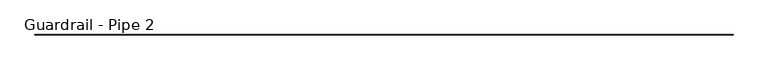
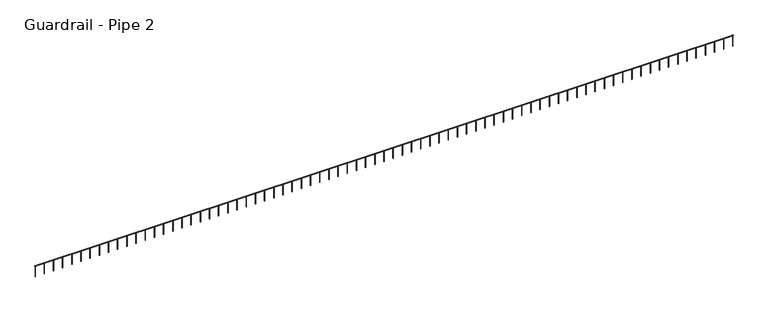
"""IFC4 building model written with IfcOpenShell, lengths in millimetres: railing geometry, Guardrail - Pipe 2."""

from ifc_helpers import new_model, si_unit, point, frame, frame_2d, origin, place, context, project, spatial, circle_curve, trimmed, segment, composite_curve, outline, extrude, source, transform, mapped, element, save


def guardrail_pipe_2_5808143b(model_context):
    return source(origin(), model_context, "Body", "SweptSolid", [
        extrude(outline(composite_curve([segment(trimmed(circle_curve(frame_2d((-523774.2080223, 5010.15)), 19.05), [point((-523793.2580223, 5010.15))], [point((-523755.1580223, 5010.15))], False, "CARTESIAN"), True, "CONTINUOUS"), segment(trimmed(circle_curve(frame_2d((-523774.2080223, 5010.15)), 19.05), [point((-523755.1580223, 5010.15))], [point((-523793.2580223, 5010.15))], False, "CARTESIAN"), True, "CONTINUOUS")], self_intersect=False)), frame((223237.7650869, 0.0, 0.0), z_axis=(1.0, 0.0, 0.0), x_axis=(0.0, 1.0, 0.0)), (0.0, 0.0, 1.0), 46329.6),
        extrude(outline(composite_curve([segment(trimmed(circle_curve(frame_2d((223847.3650869, -523774.2080223)), 12.7), [point((223847.3650869, -523786.9080223))], [point((223847.3650869, -523761.5080223))], False, "CARTESIAN"), True, "CONTINUOUS"), segment(trimmed(circle_curve(frame_2d((223847.3650869, -523774.2080223)), 12.7), [point((223847.3650869, -523761.5080223))], [point((223847.3650869, -523786.9080223))], False, "CARTESIAN"), True, "CONTINUOUS")], self_intersect=False)), frame((0.0, 0.0, 4267.2), z_axis=(0.0, 0.0, 1.0), x_axis=(1.0, 0.0, 0.0)), (0.0, 0.0, 1.0), 723.9),
        extrude(outline(composite_curve([segment(trimmed(circle_curve(frame_2d((224456.9650869, -523774.2080223)), 12.7), [point((224456.9650869, -523786.9080223))], [point((224456.9650869, -523761.5080223))], False, "CARTESIAN"), True, "CONTINUOUS"), segment(trimmed(circle_curve(frame_2d((224456.9650869, -523774.2080223)), 12.7), [point((224456.9650869, -523761.5080223))], [point((224456.9650869, -523786.9080223))], False, "CARTESIAN"), True, "CONTINUOUS")], self_intersect=False)), frame((0.0, 0.0, 4267.2), z_axis=(0.0, 0.0, 1.0), x_axis=(1.0, 0.0, 0.0)), (0.0, 0.0, 1.0), 723.9),
        extrude(outline(composite_curve([segment(trimmed(circle_curve(frame_2d((225066.5650869, -523774.2080223)), 12.7), [point((225066.5650869, -523786.9080223))], [point((225066.5650869, -523761.5080223))], False, "CARTESIAN"), True, "CONTINUOUS"), segment(trimmed(circle_curve(frame_2d((225066.5650869, -523774.2080223)), 12.7), [point((225066.5650869, -523761.5080223))], [point((225066.5650869, -523786.9080223))], False, "CARTESIAN"), True, "CONTINUOUS")], self_intersect=False)), frame((0.0, 0.0, 4267.2), z_axis=(0.0, 0.0, 1.0), x_axis=(1.0, 0.0, 0.0)), (0.0, 0.0, 1.0), 723.9),
        extrude(outline(composite_curve([segment(trimmed(circle_curve(frame_2d((225676.1650869, -523774.2080223)), 12.7), [point((225676.1650869, -523786.9080223))], [point((225676.1650869, -523761.5080223))], False, "CARTESIAN"), True, "CONTINUOUS"), segment(trimmed(circle_curve(frame_2d((225676.1650869, -523774.2080223)), 12.7), [point((225676.1650869, -523761.5080223))], [point((225676.1650869, -523786.9080223))], False, "CARTESIAN"), True, "CONTINUOUS")], self_intersect=False)), frame((0.0, 0.0, 4267.2), z_axis=(0.0, 0.0, 1.0), x_axis=(1.0, 0.0, 0.0)), (0.0, 0.0, 1.0), 723.9),
        extrude(outline(composite_curve([segment(trimmed(circle_curve(frame_2d((226285.7650869, -523774.2080223)), 12.7), [point((226285.7650869, -523786.9080223))], [point((226285.7650869, -523761.5080223))], False, "CARTESIAN"), True, "CONTINUOUS"), segment(trimmed(circle_curve(frame_2d((226285.7650869, -523774.2080223)), 12.7), [point((226285.7650869, -523761.5080223))], [point((226285.7650869, -523786.9080223))], False, "CARTESIAN"), True, "CONTINUOUS")], self_intersect=False)), frame((0.0, 0.0, 4267.2), z_axis=(0.0, 0.0, 1.0), x_axis=(1.0, 0.0, 0.0)), (0.0, 0.0, 1.0), 723.9),
        extrude(outline(composite_curve([segment(trimmed(circle_curve(frame_2d((226895.3650869, -523774.2080223)), 12.7), [point((226895.3650869, -523786.9080223))], [point((226895.3650869, -523761.5080223))], False, "CARTESIAN"), True, "CONTINUOUS"), segment(trimmed(circle_curve(frame_2d((226895.3650869, -523774.2080223)), 12.7), [point((226895.3650869, -523761.5080223))], [point((226895.3650869, -523786.9080223))], False, "CARTESIAN"), True, "CONTINUOUS")], self_intersect=False)), frame((0.0, 0.0, 4267.2), z_axis=(0.0, 0.0, 1.0), x_axis=(1.0, 0.0, 0.0)), (0.0, 0.0, 1.0), 723.9),
        extrude(outline(composite_curve([segment(trimmed(circle_curve(frame_2d((227504.9650869, -523774.2080223)), 12.7), [point((227504.9650869, -523786.9080223))], [point((227504.9650869, -523761.5080223))], False, "CARTESIAN"), True, "CONTINUOUS"), segment(trimmed(circle_curve(frame_2d((227504.9650869, -523774.2080223)), 12.7), [point((227504.9650869, -523761.5080223))], [point((227504.9650869, -523786.9080223))], False, "CARTESIAN"), True, "CONTINUOUS")], self_intersect=False)), frame((0.0, 0.0, 4267.2), z_axis=(0.0, 0.0, 1.0), x_axis=(1.0, 0.0, 0.0)), (0.0, 0.0, 1.0), 723.9),
        extrude(outline(composite_curve([segment(trimmed(circle_curve(frame_2d((228114.5650869, -523774.2080223)), 12.7), [point((228114.5650869, -523786.9080223))], [point((228114.5650869, -523761.5080223))], False, "CARTESIAN"), True, "CONTINUOUS"), segment(trimmed(circle_curve(frame_2d((228114.5650869, -523774.2080223)), 12.7), [point((228114.5650869, -523761.5080223))], [point((228114.5650869, -523786.9080223))], False, "CARTESIAN"), True, "CONTINUOUS")], self_intersect=False)), frame((0.0, 0.0, 4267.2), z_axis=(0.0, 0.0, 1.0), x_axis=(1.0, 0.0, 0.0)), (0.0, 0.0, 1.0), 723.9),
        extrude(outline(composite_curve([segment(trimmed(circle_curve(frame_2d((228724.1650869, -523774.2080223)), 12.7), [point((228724.1650869, -523786.9080223))], [point((228724.1650869, -523761.5080223))], False, "CARTESIAN"), True, "CONTINUOUS"), segment(trimmed(circle_curve(frame_2d((228724.1650869, -523774.2080223)), 12.7), [point((228724.1650869, -523761.5080223))], [point((228724.1650869, -523786.9080223))], False, "CARTESIAN"), True, "CONTINUOUS")], self_intersect=False)), frame((0.0, 0.0, 4267.2), z_axis=(0.0, 0.0, 1.0), x_axis=(1.0, 0.0, 0.0)), (0.0, 0.0, 1.0), 723.9),
        extrude(outline(composite_curve([segment(trimmed(circle_curve(frame_2d((229333.7650869, -523774.2080223)), 12.7), [point((229333.7650869, -523786.9080223))], [point((229333.7650869, -523761.5080223))], False, "CARTESIAN"), True, "CONTINUOUS"), segment(trimmed(circle_curve(frame_2d((229333.7650869, -523774.2080223)), 12.7), [point((229333.7650869, -523761.5080223))], [point((229333.7650869, -523786.9080223))], False, "CARTESIAN"), True, "CONTINUOUS")], self_intersect=False)), frame((0.0, 0.0, 4267.2), z_axis=(0.0, 0.0, 1.0), x_axis=(1.0, 0.0, 0.0)), (0.0, 0.0, 1.0), 723.9),
        extrude(outline(composite_curve([segment(trimmed(circle_curve(frame_2d((229943.3650869, -523774.2080223)), 12.7), [point((229943.3650869, -523786.9080223))], [point((229943.3650869, -523761.5080223))], False, "CARTESIAN"), True, "CONTINUOUS"), segment(trimmed(circle_curve(frame_2d((229943.3650869, -523774.2080223)), 12.7), [point((229943.3650869, -523761.5080223))], [point((229943.3650869, -523786.9080223))], False, "CARTESIAN"), True, "CONTINUOUS")], self_intersect=False)), frame((0.0, 0.0, 4267.2), z_axis=(0.0, 0.0, 1.0), x_axis=(1.0, 0.0, 0.0)), (0.0, 0.0, 1.0), 723.9),
        extrude(outline(composite_curve([segment(trimmed(circle_curve(frame_2d((230552.9650869, -523774.2080223)), 12.7), [point((230552.9650869, -523786.9080223))], [point((230552.9650869, -523761.5080223))], False, "CARTESIAN"), True, "CONTINUOUS"), segment(trimmed(circle_curve(frame_2d((230552.9650869, -523774.2080223)), 12.7), [point((230552.9650869, -523761.5080223))], [point((230552.9650869, -523786.9080223))], False, "CARTESIAN"), True, "CONTINUOUS")], self_intersect=False)), frame((0.0, 0.0, 4267.2), z_axis=(0.0, 0.0, 1.0), x_axis=(1.0, 0.0, 0.0)), (0.0, 0.0, 1.0), 723.9),
        extrude(outline(composite_curve([segment(trimmed(circle_curve(frame_2d((231162.5650869, -523774.2080223)), 12.7), [point((231162.5650869, -523786.9080223))], [point((231162.5650869, -523761.5080223))], False, "CARTESIAN"), True, "CONTINUOUS"), segment(trimmed(circle_curve(frame_2d((231162.5650869, -523774.2080223)), 12.7), [point((231162.5650869, -523761.5080223))], [point((231162.5650869, -523786.9080223))], False, "CARTESIAN"), True, "CONTINUOUS")], self_intersect=False)), frame((0.0, 0.0, 4267.2), z_axis=(0.0, 0.0, 1.0), x_axis=(1.0, 0.0, 0.0)), (0.0, 0.0, 1.0), 723.9),
        extrude(outline(composite_curve([segment(trimmed(circle_curve(frame_2d((231772.1650869, -523774.2080223)), 12.7), [point((231772.1650869, -523786.9080223))], [point((231772.1650869, -523761.5080223))], False, "CARTESIAN"), True, "CONTINUOUS"), segment(trimmed(circle_curve(frame_2d((231772.1650869, -523774.2080223)), 12.7), [point((231772.1650869, -523761.5080223))], [point((231772.1650869, -523786.9080223))], False, "CARTESIAN"), True, "CONTINUOUS")], self_intersect=False)), frame((0.0, 0.0, 4267.2), z_axis=(0.0, 0.0, 1.0), x_axis=(1.0, 0.0, 0.0)), (0.0, 0.0, 1.0), 723.9),
        extrude(outline(composite_curve([segment(trimmed(circle_curve(frame_2d((232381.7650869, -523774.2080223)), 12.7), [point((232381.7650869, -523786.9080223))], [point((232381.7650869, -523761.5080223))], False, "CARTESIAN"), True, "CONTINUOUS"), segment(trimmed(circle_curve(frame_2d((232381.7650869, -523774.2080223)), 12.7), [point((232381.7650869, -523761.5080223))], [point((232381.7650869, -523786.9080223))], False, "CARTESIAN"), True, "CONTINUOUS")], self_intersect=False)), frame((0.0, 0.0, 4267.2), z_axis=(0.0, 0.0, 1.0), x_axis=(1.0, 0.0, 0.0)), (0.0, 0.0, 1.0), 723.9),
        extrude(outline(composite_curve([segment(trimmed(circle_curve(frame_2d((232991.3650869, -523774.2080223)), 12.7), [point((232991.3650869, -523786.9080223))], [point((232991.3650869, -523761.5080223))], False, "CARTESIAN"), True, "CONTINUOUS"), segment(trimmed(circle_curve(frame_2d((232991.3650869, -523774.2080223)), 12.7), [point((232991.3650869, -523761.5080223))], [point((232991.3650869, -523786.9080223))], False, "CARTESIAN"), True, "CONTINUOUS")], self_intersect=False)), frame((0.0, 0.0, 4267.2), z_axis=(0.0, 0.0, 1.0), x_axis=(1.0, 0.0, 0.0)), (0.0, 0.0, 1.0), 723.9),
        extrude(outline(composite_curve([segment(trimmed(circle_curve(frame_2d((233600.9650869, -523774.2080223)), 12.7), [point((233600.9650869, -523786.9080223))], [point((233600.9650869, -523761.5080223))], False, "CARTESIAN"), True, "CONTINUOUS"), segment(trimmed(circle_curve(frame_2d((233600.9650869, -523774.2080223)), 12.7), [point((233600.9650869, -523761.5080223))], [point((233600.9650869, -523786.9080223))], False, "CARTESIAN"), True, "CONTINUOUS")], self_intersect=False)), frame((0.0, 0.0, 4267.2), z_axis=(0.0, 0.0, 1.0), x_axis=(1.0, 0.0, 0.0)), (0.0, 0.0, 1.0), 723.9),
        extrude(outline(composite_curve([segment(trimmed(circle_curve(frame_2d((234210.5650869, -523774.2080223)), 12.7), [point((234210.5650869, -523786.9080223))], [point((234210.5650869, -523761.5080223))], False, "CARTESIAN"), True, "CONTINUOUS"), segment(trimmed(circle_curve(frame_2d((234210.5650869, -523774.2080223)), 12.7), [point((234210.5650869, -523761.5080223))], [point((234210.5650869, -523786.9080223))], False, "CARTESIAN"), True, "CONTINUOUS")], self_intersect=False)), frame((0.0, 0.0, 4267.2), z_axis=(0.0, 0.0, 1.0), x_axis=(1.0, 0.0, 0.0)), (0.0, 0.0, 1.0), 723.9),
        extrude(outline(composite_curve([segment(trimmed(circle_curve(frame_2d((234820.1650869, -523774.2080223)), 12.7), [point((234820.1650869, -523786.9080223))], [point((234820.1650869, -523761.5080223))], False, "CARTESIAN"), True, "CONTINUOUS"), segment(trimmed(circle_curve(frame_2d((234820.1650869, -523774.2080223)), 12.7), [point((234820.1650869, -523761.5080223))], [point((234820.1650869, -523786.9080223))], False, "CARTESIAN"), True, "CONTINUOUS")], self_intersect=False)), frame((0.0, 0.0, 4267.2), z_axis=(0.0, 0.0, 1.0), x_axis=(1.0, 0.0, 0.0)), (0.0, 0.0, 1.0), 723.9),
        extrude(outline(composite_curve([segment(trimmed(circle_curve(frame_2d((235429.7650869, -523774.2080223)), 12.7), [point((235429.7650869, -523786.9080223))], [point((235429.7650869, -523761.5080223))], False, "CARTESIAN"), True, "CONTINUOUS"), segment(trimmed(circle_curve(frame_2d((235429.7650869, -523774.2080223)), 12.7), [point((235429.7650869, -523761.5080223))], [point((235429.7650869, -523786.9080223))], False, "CARTESIAN"), True, "CONTINUOUS")], self_intersect=False)), frame((0.0, 0.0, 4267.2), z_axis=(0.0, 0.0, 1.0), x_axis=(1.0, 0.0, 0.0)), (0.0, 0.0, 1.0), 723.9),
        extrude(outline(composite_curve([segment(trimmed(circle_curve(frame_2d((236039.3650869, -523774.2080223)), 12.7), [point((236039.3650869, -523786.9080223))], [point((236039.3650869, -523761.5080223))], False, "CARTESIAN"), True, "CONTINUOUS"), segment(trimmed(circle_curve(frame_2d((236039.3650869, -523774.2080223)), 12.7), [point((236039.3650869, -523761.5080223))], [point((236039.3650869, -523786.9080223))], False, "CARTESIAN"), True, "CONTINUOUS")], self_intersect=False)), frame((0.0, 0.0, 4267.2), z_axis=(0.0, 0.0, 1.0), x_axis=(1.0, 0.0, 0.0)), (0.0, 0.0, 1.0), 723.9),
        extrude(outline(composite_curve([segment(trimmed(circle_curve(frame_2d((236648.9650869, -523774.2080223)), 12.7), [point((236648.9650869, -523786.9080223))], [point((236648.9650869, -523761.5080223))], False, "CARTESIAN"), True, "CONTINUOUS"), segment(trimmed(circle_curve(frame_2d((236648.9650869, -523774.2080223)), 12.7), [point((236648.9650869, -523761.5080223))], [point((236648.9650869, -523786.9080223))], False, "CARTESIAN"), True, "CONTINUOUS")], self_intersect=False)), frame((0.0, 0.0, 4267.2), z_axis=(0.0, 0.0, 1.0), x_axis=(1.0, 0.0, 0.0)), (0.0, 0.0, 1.0), 723.9),
        extrude(outline(composite_curve([segment(trimmed(circle_curve(frame_2d((237258.5650869, -523774.2080223)), 12.7), [point((237258.5650869, -523786.9080223))], [point((237258.5650869, -523761.5080223))], False, "CARTESIAN"), True, "CONTINUOUS"), segment(trimmed(circle_curve(frame_2d((237258.5650869, -523774.2080223)), 12.7), [point((237258.5650869, -523761.5080223))], [point((237258.5650869, -523786.9080223))], False, "CARTESIAN"), True, "CONTINUOUS")], self_intersect=False)), frame((0.0, 0.0, 4267.2), z_axis=(0.0, 0.0, 1.0), x_axis=(1.0, 0.0, 0.0)), (0.0, 0.0, 1.0), 723.9),
        extrude(outline(composite_curve([segment(trimmed(circle_curve(frame_2d((237868.1650869, -523774.2080223)), 12.7), [point((237868.1650869, -523786.9080223))], [point((237868.1650869, -523761.5080223))], False, "CARTESIAN"), True, "CONTINUOUS"), segment(trimmed(circle_curve(frame_2d((237868.1650869, -523774.2080223)), 12.7), [point((237868.1650869, -523761.5080223))], [point((237868.1650869, -523786.9080223))], False, "CARTESIAN"), True, "CONTINUOUS")], self_intersect=False)), frame((0.0, 0.0, 4267.2), z_axis=(0.0, 0.0, 1.0), x_axis=(1.0, 0.0, 0.0)), (0.0, 0.0, 1.0), 723.9),
        extrude(outline(composite_curve([segment(trimmed(circle_curve(frame_2d((238477.7650869, -523774.2080223)), 12.7), [point((238477.7650869, -523786.9080223))], [point((238477.7650869, -523761.5080223))], False, "CARTESIAN"), True, "CONTINUOUS"), segment(trimmed(circle_curve(frame_2d((238477.7650869, -523774.2080223)), 12.7), [point((238477.7650869, -523761.5080223))], [point((238477.7650869, -523786.9080223))], False, "CARTESIAN"), True, "CONTINUOUS")], self_intersect=False)), frame((0.0, 0.0, 4267.2), z_axis=(0.0, 0.0, 1.0), x_axis=(1.0, 0.0, 0.0)), (0.0, 0.0, 1.0), 723.9),
        extrude(outline(composite_curve([segment(trimmed(circle_curve(frame_2d((239087.3650869, -523774.2080223)), 12.7), [point((239087.3650869, -523786.9080223))], [point((239087.3650869, -523761.5080223))], False, "CARTESIAN"), True, "CONTINUOUS"), segment(trimmed(circle_curve(frame_2d((239087.3650869, -523774.2080223)), 12.7), [point((239087.3650869, -523761.5080223))], [point((239087.3650869, -523786.9080223))], False, "CARTESIAN"), True, "CONTINUOUS")], self_intersect=False)), frame((0.0, 0.0, 4267.2), z_axis=(0.0, 0.0, 1.0), x_axis=(1.0, 0.0, 0.0)), (0.0, 0.0, 1.0), 723.9),
        extrude(outline(composite_curve([segment(trimmed(circle_curve(frame_2d((239696.9650869, -523774.2080223)), 12.7), [point((239696.9650869, -523786.9080223))], [point((239696.9650869, -523761.5080223))], False, "CARTESIAN"), True, "CONTINUOUS"), segment(trimmed(circle_curve(frame_2d((239696.9650869, -523774.2080223)), 12.7), [point((239696.9650869, -523761.5080223))], [point((239696.9650869, -523786.9080223))], False, "CARTESIAN"), True, "CONTINUOUS")], self_intersect=False)), frame((0.0, 0.0, 4267.2), z_axis=(0.0, 0.0, 1.0), x_axis=(1.0, 0.0, 0.0)), (0.0, 0.0, 1.0), 723.9),
        extrude(outline(composite_curve([segment(trimmed(circle_curve(frame_2d((240306.5650869, -523774.2080223)), 12.7), [point((240306.5650869, -523786.9080223))], [point((240306.5650869, -523761.5080223))], False, "CARTESIAN"), True, "CONTINUOUS"), segment(trimmed(circle_curve(frame_2d((240306.5650869, -523774.2080223)), 12.7), [point((240306.5650869, -523761.5080223))], [point((240306.5650869, -523786.9080223))], False, "CARTESIAN"), True, "CONTINUOUS")], self_intersect=False)), frame((0.0, 0.0, 4267.2), z_axis=(0.0, 0.0, 1.0), x_axis=(1.0, 0.0, 0.0)), (0.0, 0.0, 1.0), 723.9),
        extrude(outline(composite_curve([segment(trimmed(circle_curve(frame_2d((240916.1650869, -523774.2080223)), 12.7), [point((240916.1650869, -523786.9080223))], [point((240916.1650869, -523761.5080223))], False, "CARTESIAN"), True, "CONTINUOUS"), segment(trimmed(circle_curve(frame_2d((240916.1650869, -523774.2080223)), 12.7), [point((240916.1650869, -523761.5080223))], [point((240916.1650869, -523786.9080223))], False, "CARTESIAN"), True, "CONTINUOUS")], self_intersect=False)), frame((0.0, 0.0, 4267.2), z_axis=(0.0, 0.0, 1.0), x_axis=(1.0, 0.0, 0.0)), (0.0, 0.0, 1.0), 723.9),
        extrude(outline(composite_curve([segment(trimmed(circle_curve(frame_2d((241525.7650869, -523774.2080223)), 12.7), [point((241525.7650869, -523786.9080223))], [point((241525.7650869, -523761.5080223))], False, "CARTESIAN"), True, "CONTINUOUS"), segment(trimmed(circle_curve(frame_2d((241525.7650869, -523774.2080223)), 12.7), [point((241525.7650869, -523761.5080223))], [point((241525.7650869, -523786.9080223))], False, "CARTESIAN"), True, "CONTINUOUS")], self_intersect=False)), frame((0.0, 0.0, 4267.2), z_axis=(0.0, 0.0, 1.0), x_axis=(1.0, 0.0, 0.0)), (0.0, 0.0, 1.0), 723.9),
        extrude(outline(composite_curve([segment(trimmed(circle_curve(frame_2d((242135.3650869, -523774.2080223)), 12.7), [point((242135.3650869, -523786.9080223))], [point((242135.3650869, -523761.5080223))], False, "CARTESIAN"), True, "CONTINUOUS"), segment(trimmed(circle_curve(frame_2d((242135.3650869, -523774.2080223)), 12.7), [point((242135.3650869, -523761.5080223))], [point((242135.3650869, -523786.9080223))], False, "CARTESIAN"), True, "CONTINUOUS")], self_intersect=False)), frame((0.0, 0.0, 4267.2), z_axis=(0.0, 0.0, 1.0), x_axis=(1.0, 0.0, 0.0)), (0.0, 0.0, 1.0), 723.9),
        extrude(outline(composite_curve([segment(trimmed(circle_curve(frame_2d((242744.9650869, -523774.2080223)), 12.7), [point((242744.9650869, -523786.9080223))], [point((242744.9650869, -523761.5080223))], False, "CARTESIAN"), True, "CONTINUOUS"), segment(trimmed(circle_curve(frame_2d((242744.9650869, -523774.2080223)), 12.7), [point((242744.9650869, -523761.5080223))], [point((242744.9650869, -523786.9080223))], False, "CARTESIAN"), True, "CONTINUOUS")], self_intersect=False)), frame((0.0, 0.0, 4267.2), z_axis=(0.0, 0.0, 1.0), x_axis=(1.0, 0.0, 0.0)), (0.0, 0.0, 1.0), 723.9),
        extrude(outline(composite_curve([segment(trimmed(circle_curve(frame_2d((243354.5650869, -523774.2080223)), 12.7), [point((243354.5650869, -523786.9080223))], [point((243354.5650869, -523761.5080223))], False, "CARTESIAN"), True, "CONTINUOUS"), segment(trimmed(circle_curve(frame_2d((243354.5650869, -523774.2080223)), 12.7), [point((243354.5650869, -523761.5080223))], [point((243354.5650869, -523786.9080223))], False, "CARTESIAN"), True, "CONTINUOUS")], self_intersect=False)), frame((0.0, 0.0, 4267.2), z_axis=(0.0, 0.0, 1.0), x_axis=(1.0, 0.0, 0.0)), (0.0, 0.0, 1.0), 723.9),
        extrude(outline(composite_curve([segment(trimmed(circle_curve(frame_2d((243964.1650869, -523774.2080223)), 12.7), [point((243964.1650869, -523786.9080223))], [point((243964.1650869, -523761.5080223))], False, "CARTESIAN"), True, "CONTINUOUS"), segment(trimmed(circle_curve(frame_2d((243964.1650869, -523774.2080223)), 12.7), [point((243964.1650869, -523761.5080223))], [point((243964.1650869, -523786.9080223))], False, "CARTESIAN"), True, "CONTINUOUS")], self_intersect=False)), frame((0.0, 0.0, 4267.2), z_axis=(0.0, 0.0, 1.0), x_axis=(1.0, 0.0, 0.0)), (0.0, 0.0, 1.0), 723.9),
        extrude(outline(composite_curve([segment(trimmed(circle_curve(frame_2d((244573.7650869, -523774.2080223)), 12.7), [point((244573.7650869, -523786.9080223))], [point((244573.7650869, -523761.5080223))], False, "CARTESIAN"), True, "CONTINUOUS"), segment(trimmed(circle_curve(frame_2d((244573.7650869, -523774.2080223)), 12.7), [point((244573.7650869, -523761.5080223))], [point((244573.7650869, -523786.9080223))], False, "CARTESIAN"), True, "CONTINUOUS")], self_intersect=False)), frame((0.0, 0.0, 4267.2), z_axis=(0.0, 0.0, 1.0), x_axis=(1.0, 0.0, 0.0)), (0.0, 0.0, 1.0), 723.9),
        extrude(outline(composite_curve([segment(trimmed(circle_curve(frame_2d((245183.3650869, -523774.2080223)), 12.7), [point((245183.3650869, -523786.9080223))], [point((245183.3650869, -523761.5080223))], False, "CARTESIAN"), True, "CONTINUOUS"), segment(trimmed(circle_curve(frame_2d((245183.3650869, -523774.2080223)), 12.7), [point((245183.3650869, -523761.5080223))], [point((245183.3650869, -523786.9080223))], False, "CARTESIAN"), True, "CONTINUOUS")], self_intersect=False)), frame((0.0, 0.0, 4267.2), z_axis=(0.0, 0.0, 1.0), x_axis=(1.0, 0.0, 0.0)), (0.0, 0.0, 1.0), 723.9),
        extrude(outline(composite_curve([segment(trimmed(circle_curve(frame_2d((245792.9650869, -523774.2080223)), 12.7), [point((245792.9650869, -523786.9080223))], [point((245792.9650869, -523761.5080223))], False, "CARTESIAN"), True, "CONTINUOUS"), segment(trimmed(circle_curve(frame_2d((245792.9650869, -523774.2080223)), 12.7), [point((245792.9650869, -523761.5080223))], [point((245792.9650869, -523786.9080223))], False, "CARTESIAN"), True, "CONTINUOUS")], self_intersect=False)), frame((0.0, 0.0, 4267.2), z_axis=(0.0, 0.0, 1.0), x_axis=(1.0, 0.0, 0.0)), (0.0, 0.0, 1.0), 723.9),
        extrude(outline(composite_curve([segment(trimmed(circle_curve(frame_2d((246402.5650869, -523774.2080223)), 12.7), [point((246402.5650869, -523786.9080223))], [point((246402.5650869, -523761.5080223))], False, "CARTESIAN"), True, "CONTINUOUS"), segment(trimmed(circle_curve(frame_2d((246402.5650869, -523774.2080223)), 12.7), [point((246402.5650869, -523761.5080223))], [point((246402.5650869, -523786.9080223))], False, "CARTESIAN"), True, "CONTINUOUS")], self_intersect=False)), frame((0.0, 0.0, 4267.2), z_axis=(0.0, 0.0, 1.0), x_axis=(1.0, 0.0, 0.0)), (0.0, 0.0, 1.0), 723.9),
        extrude(outline(composite_curve([segment(trimmed(circle_curve(frame_2d((247012.1650869, -523774.2080223)), 12.7), [point((247012.1650869, -523786.9080223))], [point((247012.1650869, -523761.5080223))], False, "CARTESIAN"), True, "CONTINUOUS"), segment(trimmed(circle_curve(frame_2d((247012.1650869, -523774.2080223)), 12.7), [point((247012.1650869, -523761.5080223))], [point((247012.1650869, -523786.9080223))], False, "CARTESIAN"), True, "CONTINUOUS")], self_intersect=False)), frame((0.0, 0.0, 4267.2), z_axis=(0.0, 0.0, 1.0), x_axis=(1.0, 0.0, 0.0)), (0.0, 0.0, 1.0), 723.9),
        extrude(outline(composite_curve([segment(trimmed(circle_curve(frame_2d((247621.7650869, -523774.2080223)), 12.7), [point((247621.7650869, -523786.9080223))], [point((247621.7650869, -523761.5080223))], False, "CARTESIAN"), True, "CONTINUOUS"), segment(trimmed(circle_curve(frame_2d((247621.7650869, -523774.2080223)), 12.7), [point((247621.7650869, -523761.5080223))], [point((247621.7650869, -523786.9080223))], False, "CARTESIAN"), True, "CONTINUOUS")], self_intersect=False)), frame((0.0, 0.0, 4267.2), z_axis=(0.0, 0.0, 1.0), x_axis=(1.0, 0.0, 0.0)), (0.0, 0.0, 1.0), 723.9),
        extrude(outline(composite_curve([segment(trimmed(circle_curve(frame_2d((248231.3650869, -523774.2080223)), 12.7), [point((248231.3650869, -523786.9080223))], [point((248231.3650869, -523761.5080223))], False, "CARTESIAN"), True, "CONTINUOUS"), segment(trimmed(circle_curve(frame_2d((248231.3650869, -523774.2080223)), 12.7), [point((248231.3650869, -523761.5080223))], [point((248231.3650869, -523786.9080223))], False, "CARTESIAN"), True, "CONTINUOUS")], self_intersect=False)), frame((0.0, 0.0, 4267.2), z_axis=(0.0, 0.0, 1.0), x_axis=(1.0, 0.0, 0.0)), (0.0, 0.0, 1.0), 723.9),
        extrude(outline(composite_curve([segment(trimmed(circle_curve(frame_2d((248840.9650869, -523774.2080223)), 12.7), [point((248840.9650869, -523786.9080223))], [point((248840.9650869, -523761.5080223))], False, "CARTESIAN"), True, "CONTINUOUS"), segment(trimmed(circle_curve(frame_2d((248840.9650869, -523774.2080223)), 12.7), [point((248840.9650869, -523761.5080223))], [point((248840.9650869, -523786.9080223))], False, "CARTESIAN"), True, "CONTINUOUS")], self_intersect=False)), frame((0.0, 0.0, 4267.2), z_axis=(0.0, 0.0, 1.0), x_axis=(1.0, 0.0, 0.0)), (0.0, 0.0, 1.0), 723.9),
        extrude(outline(composite_curve([segment(trimmed(circle_curve(frame_2d((249450.5650869, -523774.2080223)), 12.7), [point((249450.5650869, -523786.9080223))], [point((249450.5650869, -523761.5080223))], False, "CARTESIAN"), True, "CONTINUOUS"), segment(trimmed(circle_curve(frame_2d((249450.5650869, -523774.2080223)), 12.7), [point((249450.5650869, -523761.5080223))], [point((249450.5650869, -523786.9080223))], False, "CARTESIAN"), True, "CONTINUOUS")], self_intersect=False)), frame((0.0, 0.0, 4267.2), z_axis=(0.0, 0.0, 1.0), x_axis=(1.0, 0.0, 0.0)), (0.0, 0.0, 1.0), 723.9),
        extrude(outline(composite_curve([segment(trimmed(circle_curve(frame_2d((250060.1650869, -523774.2080223)), 12.7), [point((250060.1650869, -523786.9080223))], [point((250060.1650869, -523761.5080223))], False, "CARTESIAN"), True, "CONTINUOUS"), segment(trimmed(circle_curve(frame_2d((250060.1650869, -523774.2080223)), 12.7), [point((250060.1650869, -523761.5080223))], [point((250060.1650869, -523786.9080223))], False, "CARTESIAN"), True, "CONTINUOUS")], self_intersect=False)), frame((0.0, 0.0, 4267.2), z_axis=(0.0, 0.0, 1.0), x_axis=(1.0, 0.0, 0.0)), (0.0, 0.0, 1.0), 723.9),
        extrude(outline(composite_curve([segment(trimmed(circle_curve(frame_2d((250669.7650869, -523774.2080223)), 12.7), [point((250669.7650869, -523786.9080223))], [point((250669.7650869, -523761.5080223))], False, "CARTESIAN"), True, "CONTINUOUS"), segment(trimmed(circle_curve(frame_2d((250669.7650869, -523774.2080223)), 12.7), [point((250669.7650869, -523761.5080223))], [point((250669.7650869, -523786.9080223))], False, "CARTESIAN"), True, "CONTINUOUS")], self_intersect=False)), frame((0.0, 0.0, 4267.2), z_axis=(0.0, 0.0, 1.0), x_axis=(1.0, 0.0, 0.0)), (0.0, 0.0, 1.0), 723.9),
        extrude(outline(composite_curve([segment(trimmed(circle_curve(frame_2d((251279.3650869, -523774.2080223)), 12.7), [point((251279.3650869, -523786.9080223))], [point((251279.3650869, -523761.5080223))], False, "CARTESIAN"), True, "CONTINUOUS"), segment(trimmed(circle_curve(frame_2d((251279.3650869, -523774.2080223)), 12.7), [point((251279.3650869, -523761.5080223))], [point((251279.3650869, -523786.9080223))], False, "CARTESIAN"), True, "CONTINUOUS")], self_intersect=False)), frame((0.0, 0.0, 4267.2), z_axis=(0.0, 0.0, 1.0), x_axis=(1.0, 0.0, 0.0)), (0.0, 0.0, 1.0), 723.9),
        extrude(outline(composite_curve([segment(trimmed(circle_curve(frame_2d((251888.9650869, -523774.2080223)), 12.7), [point((251888.9650869, -523786.9080223))], [point((251888.9650869, -523761.5080223))], False, "CARTESIAN"), True, "CONTINUOUS"), segment(trimmed(circle_curve(frame_2d((251888.9650869, -523774.2080223)), 12.7), [point((251888.9650869, -523761.5080223))], [point((251888.9650869, -523786.9080223))], False, "CARTESIAN"), True, "CONTINUOUS")], self_intersect=False)), frame((0.0, 0.0, 4267.2), z_axis=(0.0, 0.0, 1.0), x_axis=(1.0, 0.0, 0.0)), (0.0, 0.0, 1.0), 723.9),
        extrude(outline(composite_curve([segment(trimmed(circle_curve(frame_2d((252498.5650869, -523774.2080223)), 12.7), [point((252498.5650869, -523786.9080223))], [point((252498.5650869, -523761.5080223))], False, "CARTESIAN"), True, "CONTINUOUS"), segment(trimmed(circle_curve(frame_2d((252498.5650869, -523774.2080223)), 12.7), [point((252498.5650869, -523761.5080223))], [point((252498.5650869, -523786.9080223))], False, "CARTESIAN"), True, "CONTINUOUS")], self_intersect=False)), frame((0.0, 0.0, 4267.2), z_axis=(0.0, 0.0, 1.0), x_axis=(1.0, 0.0, 0.0)), (0.0, 0.0, 1.0), 723.9),
        extrude(outline(composite_curve([segment(trimmed(circle_curve(frame_2d((253108.1650869, -523774.2080223)), 12.7), [point((253108.1650869, -523786.9080223))], [point((253108.1650869, -523761.5080223))], False, "CARTESIAN"), True, "CONTINUOUS"), segment(trimmed(circle_curve(frame_2d((253108.1650869, -523774.2080223)), 12.7), [point((253108.1650869, -523761.5080223))], [point((253108.1650869, -523786.9080223))], False, "CARTESIAN"), True, "CONTINUOUS")], self_intersect=False)), frame((0.0, 0.0, 4267.2), z_axis=(0.0, 0.0, 1.0), x_axis=(1.0, 0.0, 0.0)), (0.0, 0.0, 1.0), 723.9),
        extrude(outline(composite_curve([segment(trimmed(circle_curve(frame_2d((253717.7650869, -523774.2080223)), 12.7), [point((253717.7650869, -523786.9080223))], [point((253717.7650869, -523761.5080223))], False, "CARTESIAN"), True, "CONTINUOUS"), segment(trimmed(circle_curve(frame_2d((253717.7650869, -523774.2080223)), 12.7), [point((253717.7650869, -523761.5080223))], [point((253717.7650869, -523786.9080223))], False, "CARTESIAN"), True, "CONTINUOUS")], self_intersect=False)), frame((0.0, 0.0, 4267.2), z_axis=(0.0, 0.0, 1.0), x_axis=(1.0, 0.0, 0.0)), (0.0, 0.0, 1.0), 723.9),
        extrude(outline(composite_curve([segment(trimmed(circle_curve(frame_2d((254327.3650869, -523774.2080223)), 12.7), [point((254327.3650869, -523786.9080223))], [point((254327.3650869, -523761.5080223))], False, "CARTESIAN"), True, "CONTINUOUS"), segment(trimmed(circle_curve(frame_2d((254327.3650869, -523774.2080223)), 12.7), [point((254327.3650869, -523761.5080223))], [point((254327.3650869, -523786.9080223))], False, "CARTESIAN"), True, "CONTINUOUS")], self_intersect=False)), frame((0.0, 0.0, 4267.2), z_axis=(0.0, 0.0, 1.0), x_axis=(1.0, 0.0, 0.0)), (0.0, 0.0, 1.0), 723.9),
        extrude(outline(composite_curve([segment(trimmed(circle_curve(frame_2d((254936.9650869, -523774.2080223)), 12.7), [point((254936.9650869, -523786.9080223))], [point((254936.9650869, -523761.5080223))], False, "CARTESIAN"), True, "CONTINUOUS"), segment(trimmed(circle_curve(frame_2d((254936.9650869, -523774.2080223)), 12.7), [point((254936.9650869, -523761.5080223))], [point((254936.9650869, -523786.9080223))], False, "CARTESIAN"), True, "CONTINUOUS")], self_intersect=False)), frame((0.0, 0.0, 4267.2), z_axis=(0.0, 0.0, 1.0), x_axis=(1.0, 0.0, 0.0)), (0.0, 0.0, 1.0), 723.9),
        extrude(outline(composite_curve([segment(trimmed(circle_curve(frame_2d((255546.5650869, -523774.2080223)), 12.7), [point((255546.5650869, -523786.9080223))], [point((255546.5650869, -523761.5080223))], False, "CARTESIAN"), True, "CONTINUOUS"), segment(trimmed(circle_curve(frame_2d((255546.5650869, -523774.2080223)), 12.7), [point((255546.5650869, -523761.5080223))], [point((255546.5650869, -523786.9080223))], False, "CARTESIAN"), True, "CONTINUOUS")], self_intersect=False)), frame((0.0, 0.0, 4267.2), z_axis=(0.0, 0.0, 1.0), x_axis=(1.0, 0.0, 0.0)), (0.0, 0.0, 1.0), 723.9),
        extrude(outline(composite_curve([segment(trimmed(circle_curve(frame_2d((256156.1650869, -523774.2080223)), 12.7), [point((256156.1650869, -523786.9080223))], [point((256156.1650869, -523761.5080223))], False, "CARTESIAN"), True, "CONTINUOUS"), segment(trimmed(circle_curve(frame_2d((256156.1650869, -523774.2080223)), 12.7), [point((256156.1650869, -523761.5080223))], [point((256156.1650869, -523786.9080223))], False, "CARTESIAN"), True, "CONTINUOUS")], self_intersect=False)), frame((0.0, 0.0, 4267.2), z_axis=(0.0, 0.0, 1.0), x_axis=(1.0, 0.0, 0.0)), (0.0, 0.0, 1.0), 723.9),
        extrude(outline(composite_curve([segment(trimmed(circle_curve(frame_2d((256765.7650869, -523774.2080223)), 12.7), [point((256765.7650869, -523786.9080223))], [point((256765.7650869, -523761.5080223))], False, "CARTESIAN"), True, "CONTINUOUS"), segment(trimmed(circle_curve(frame_2d((256765.7650869, -523774.2080223)), 12.7), [point((256765.7650869, -523761.5080223))], [point((256765.7650869, -523786.9080223))], False, "CARTESIAN"), True, "CONTINUOUS")], self_intersect=False)), frame((0.0, 0.0, 4267.2), z_axis=(0.0, 0.0, 1.0), x_axis=(1.0, 0.0, 0.0)), (0.0, 0.0, 1.0), 723.9),
        extrude(outline(composite_curve([segment(trimmed(circle_curve(frame_2d((257375.3650869, -523774.2080223)), 12.7), [point((257375.3650869, -523786.9080223))], [point((257375.3650869, -523761.5080223))], False, "CARTESIAN"), True, "CONTINUOUS"), segment(trimmed(circle_curve(frame_2d((257375.3650869, -523774.2080223)), 12.7), [point((257375.3650869, -523761.5080223))], [point((257375.3650869, -523786.9080223))], False, "CARTESIAN"), True, "CONTINUOUS")], self_intersect=False)), frame((0.0, 0.0, 4267.2), z_axis=(0.0, 0.0, 1.0), x_axis=(1.0, 0.0, 0.0)), (0.0, 0.0, 1.0), 723.9),
        extrude(outline(composite_curve([segment(trimmed(circle_curve(frame_2d((257984.9650869, -523774.2080223)), 12.7), [point((257984.9650869, -523786.9080223))], [point((257984.9650869, -523761.5080223))], False, "CARTESIAN"), True, "CONTINUOUS"), segment(trimmed(circle_curve(frame_2d((257984.9650869, -523774.2080223)), 12.7), [point((257984.9650869, -523761.5080223))], [point((257984.9650869, -523786.9080223))], False, "CARTESIAN"), True, "CONTINUOUS")], self_intersect=False)), frame((0.0, 0.0, 4267.2), z_axis=(0.0, 0.0, 1.0), x_axis=(1.0, 0.0, 0.0)), (0.0, 0.0, 1.0), 723.9),
        extrude(outline(composite_curve([segment(trimmed(circle_curve(frame_2d((258594.5650869, -523774.2080223)), 12.7), [point((258594.5650869, -523786.9080223))], [point((258594.5650869, -523761.5080223))], False, "CARTESIAN"), True, "CONTINUOUS"), segment(trimmed(circle_curve(frame_2d((258594.5650869, -523774.2080223)), 12.7), [point((258594.5650869, -523761.5080223))], [point((258594.5650869, -523786.9080223))], False, "CARTESIAN"), True, "CONTINUOUS")], self_intersect=False)), frame((0.0, 0.0, 4267.2), z_axis=(0.0, 0.0, 1.0), x_axis=(1.0, 0.0, 0.0)), (0.0, 0.0, 1.0), 723.9),
        extrude(outline(composite_curve([segment(trimmed(circle_curve(frame_2d((259204.1650869, -523774.2080223)), 12.7), [point((259204.1650869, -523786.9080223))], [point((259204.1650869, -523761.5080223))], False, "CARTESIAN"), True, "CONTINUOUS"), segment(trimmed(circle_curve(frame_2d((259204.1650869, -523774.2080223)), 12.7), [point((259204.1650869, -523761.5080223))], [point((259204.1650869, -523786.9080223))], False, "CARTESIAN"), True, "CONTINUOUS")], self_intersect=False)), frame((0.0, 0.0, 4267.2), z_axis=(0.0, 0.0, 1.0), x_axis=(1.0, 0.0, 0.0)), (0.0, 0.0, 1.0), 723.9),
        extrude(outline(composite_curve([segment(trimmed(circle_curve(frame_2d((259813.7650869, -523774.2080223)), 12.7), [point((259813.7650869, -523786.9080223))], [point((259813.7650869, -523761.5080223))], False, "CARTESIAN"), True, "CONTINUOUS"), segment(trimmed(circle_curve(frame_2d((259813.7650869, -523774.2080223)), 12.7), [point((259813.7650869, -523761.5080223))], [point((259813.7650869, -523786.9080223))], False, "CARTESIAN"), True, "CONTINUOUS")], self_intersect=False)), frame((0.0, 0.0, 4267.2), z_axis=(0.0, 0.0, 1.0), x_axis=(1.0, 0.0, 0.0)), (0.0, 0.0, 1.0), 723.9),
        extrude(outline(composite_curve([segment(trimmed(circle_curve(frame_2d((260423.3650869, -523774.2080223)), 12.7), [point((260423.3650869, -523786.9080223))], [point((260423.3650869, -523761.5080223))], False, "CARTESIAN"), True, "CONTINUOUS"), segment(trimmed(circle_curve(frame_2d((260423.3650869, -523774.2080223)), 12.7), [point((260423.3650869, -523761.5080223))], [point((260423.3650869, -523786.9080223))], False, "CARTESIAN"), True, "CONTINUOUS")], self_intersect=False)), frame((0.0, 0.0, 4267.2), z_axis=(0.0, 0.0, 1.0), x_axis=(1.0, 0.0, 0.0)), (0.0, 0.0, 1.0), 723.9),
        extrude(outline(composite_curve([segment(trimmed(circle_curve(frame_2d((261032.9650869, -523774.2080223)), 12.7), [point((261032.9650869, -523786.9080223))], [point((261032.9650869, -523761.5080223))], False, "CARTESIAN"), True, "CONTINUOUS"), segment(trimmed(circle_curve(frame_2d((261032.9650869, -523774.2080223)), 12.7), [point((261032.9650869, -523761.5080223))], [point((261032.9650869, -523786.9080223))], False, "CARTESIAN"), True, "CONTINUOUS")], self_intersect=False)), frame((0.0, 0.0, 4267.2), z_axis=(0.0, 0.0, 1.0), x_axis=(1.0, 0.0, 0.0)), (0.0, 0.0, 1.0), 723.9),
        extrude(outline(composite_curve([segment(trimmed(circle_curve(frame_2d((261642.5650869, -523774.2080223)), 12.7), [point((261642.5650869, -523786.9080223))], [point((261642.5650869, -523761.5080223))], False, "CARTESIAN"), True, "CONTINUOUS"), segment(trimmed(circle_curve(frame_2d((261642.5650869, -523774.2080223)), 12.7), [point((261642.5650869, -523761.5080223))], [point((261642.5650869, -523786.9080223))], False, "CARTESIAN"), True, "CONTINUOUS")], self_intersect=False)), frame((0.0, 0.0, 4267.2), z_axis=(0.0, 0.0, 1.0), x_axis=(1.0, 0.0, 0.0)), (0.0, 0.0, 1.0), 723.9),
        extrude(outline(composite_curve([segment(trimmed(circle_curve(frame_2d((262252.1650869, -523774.2080223)), 12.7), [point((262252.1650869, -523786.9080223))], [point((262252.1650869, -523761.5080223))], False, "CARTESIAN"), True, "CONTINUOUS"), segment(trimmed(circle_curve(frame_2d((262252.1650869, -523774.2080223)), 12.7), [point((262252.1650869, -523761.5080223))], [point((262252.1650869, -523786.9080223))], False, "CARTESIAN"), True, "CONTINUOUS")], self_intersect=False)), frame((0.0, 0.0, 4267.2), z_axis=(0.0, 0.0, 1.0), x_axis=(1.0, 0.0, 0.0)), (0.0, 0.0, 1.0), 723.9),
        extrude(outline(composite_curve([segment(trimmed(circle_curve(frame_2d((262861.7650869, -523774.2080223)), 12.7), [point((262861.7650869, -523786.9080223))], [point((262861.7650869, -523761.5080223))], False, "CARTESIAN"), True, "CONTINUOUS"), segment(trimmed(circle_curve(frame_2d((262861.7650869, -523774.2080223)), 12.7), [point((262861.7650869, -523761.5080223))], [point((262861.7650869, -523786.9080223))], False, "CARTESIAN"), True, "CONTINUOUS")], self_intersect=False)), frame((0.0, 0.0, 4267.2), z_axis=(0.0, 0.0, 1.0), x_axis=(1.0, 0.0, 0.0)), (0.0, 0.0, 1.0), 723.9),
        extrude(outline(composite_curve([segment(trimmed(circle_curve(frame_2d((263471.3650869, -523774.2080223)), 12.7), [point((263471.3650869, -523786.9080223))], [point((263471.3650869, -523761.5080223))], False, "CARTESIAN"), True, "CONTINUOUS"), segment(trimmed(circle_curve(frame_2d((263471.3650869, -523774.2080223)), 12.7), [point((263471.3650869, -523761.5080223))], [point((263471.3650869, -523786.9080223))], False, "CARTESIAN"), True, "CONTINUOUS")], self_intersect=False)), frame((0.0, 0.0, 4267.2), z_axis=(0.0, 0.0, 1.0), x_axis=(1.0, 0.0, 0.0)), (0.0, 0.0, 1.0), 723.9),
        extrude(outline(composite_curve([segment(trimmed(circle_curve(frame_2d((264080.9650869, -523774.2080223)), 12.7), [point((264080.9650869, -523786.9080223))], [point((264080.9650869, -523761.5080223))], False, "CARTESIAN"), True, "CONTINUOUS"), segment(trimmed(circle_curve(frame_2d((264080.9650869, -523774.2080223)), 12.7), [point((264080.9650869, -523761.5080223))], [point((264080.9650869, -523786.9080223))], False, "CARTESIAN"), True, "CONTINUOUS")], self_intersect=False)), frame((0.0, 0.0, 4267.2), z_axis=(0.0, 0.0, 1.0), x_axis=(1.0, 0.0, 0.0)), (0.0, 0.0, 1.0), 723.9),
        extrude(outline(composite_curve([segment(trimmed(circle_curve(frame_2d((264690.5650869, -523774.2080223)), 12.7), [point((264690.5650869, -523786.9080223))], [point((264690.5650869, -523761.5080223))], False, "CARTESIAN"), True, "CONTINUOUS"), segment(trimmed(circle_curve(frame_2d((264690.5650869, -523774.2080223)), 12.7), [point((264690.5650869, -523761.5080223))], [point((264690.5650869, -523786.9080223))], False, "CARTESIAN"), True, "CONTINUOUS")], self_intersect=False)), frame((0.0, 0.0, 4267.2), z_axis=(0.0, 0.0, 1.0), x_axis=(1.0, 0.0, 0.0)), (0.0, 0.0, 1.0), 723.9),
        extrude(outline(composite_curve([segment(trimmed(circle_curve(frame_2d((265300.1650869, -523774.2080223)), 12.7), [point((265300.1650869, -523786.9080223))], [point((265300.1650869, -523761.5080223))], False, "CARTESIAN"), True, "CONTINUOUS"), segment(trimmed(circle_curve(frame_2d((265300.1650869, -523774.2080223)), 12.7), [point((265300.1650869, -523761.5080223))], [point((265300.1650869, -523786.9080223))], False, "CARTESIAN"), True, "CONTINUOUS")], self_intersect=False)), frame((0.0, 0.0, 4267.2), z_axis=(0.0, 0.0, 1.0), x_axis=(1.0, 0.0, 0.0)), (0.0, 0.0, 1.0), 723.9),
        extrude(outline(composite_curve([segment(trimmed(circle_curve(frame_2d((265909.7650869, -523774.2080223)), 12.7), [point((265909.7650869, -523786.9080223))], [point((265909.7650869, -523761.5080223))], False, "CARTESIAN"), True, "CONTINUOUS"), segment(trimmed(circle_curve(frame_2d((265909.7650869, -523774.2080223)), 12.7), [point((265909.7650869, -523761.5080223))], [point((265909.7650869, -523786.9080223))], False, "CARTESIAN"), True, "CONTINUOUS")], self_intersect=False)), frame((0.0, 0.0, 4267.2), z_axis=(0.0, 0.0, 1.0), x_axis=(1.0, 0.0, 0.0)), (0.0, 0.0, 1.0), 723.9),
        extrude(outline(composite_curve([segment(trimmed(circle_curve(frame_2d((266519.3650869, -523774.2080223)), 12.7), [point((266519.3650869, -523786.9080223))], [point((266519.3650869, -523761.5080223))], False, "CARTESIAN"), True, "CONTINUOUS"), segment(trimmed(circle_curve(frame_2d((266519.3650869, -523774.2080223)), 12.7), [point((266519.3650869, -523761.5080223))], [point((266519.3650869, -523786.9080223))], False, "CARTESIAN"), True, "CONTINUOUS")], self_intersect=False)), frame((0.0, 0.0, 4267.2), z_axis=(0.0, 0.0, 1.0), x_axis=(1.0, 0.0, 0.0)), (0.0, 0.0, 1.0), 723.9),
        extrude(outline(composite_curve([segment(trimmed(circle_curve(frame_2d((267128.9650869, -523774.2080223)), 12.7), [point((267128.9650869, -523786.9080223))], [point((267128.9650869, -523761.5080223))], False, "CARTESIAN"), True, "CONTINUOUS"), segment(trimmed(circle_curve(frame_2d((267128.9650869, -523774.2080223)), 12.7), [point((267128.9650869, -523761.5080223))], [point((267128.9650869, -523786.9080223))], False, "CARTESIAN"), True, "CONTINUOUS")], self_intersect=False)), frame((0.0, 0.0, 4267.2), z_axis=(0.0, 0.0, 1.0), x_axis=(1.0, 0.0, 0.0)), (0.0, 0.0, 1.0), 723.9),
        extrude(outline(composite_curve([segment(trimmed(circle_curve(frame_2d((267738.5650869, -523774.2080223)), 12.7), [point((267738.5650869, -523786.9080223))], [point((267738.5650869, -523761.5080223))], False, "CARTESIAN"), True, "CONTINUOUS"), segment(trimmed(circle_curve(frame_2d((267738.5650869, -523774.2080223)), 12.7), [point((267738.5650869, -523761.5080223))], [point((267738.5650869, -523786.9080223))], False, "CARTESIAN"), True, "CONTINUOUS")], self_intersect=False)), frame((0.0, 0.0, 4267.2), z_axis=(0.0, 0.0, 1.0), x_axis=(1.0, 0.0, 0.0)), (0.0, 0.0, 1.0), 723.9),
        extrude(outline(composite_curve([segment(trimmed(circle_curve(frame_2d((268348.1650869, -523774.2080223)), 12.7), [point((268348.1650869, -523786.9080223))], [point((268348.1650869, -523761.5080223))], False, "CARTESIAN"), True, "CONTINUOUS"), segment(trimmed(circle_curve(frame_2d((268348.1650869, -523774.2080223)), 12.7), [point((268348.1650869, -523761.5080223))], [point((268348.1650869, -523786.9080223))], False, "CARTESIAN"), True, "CONTINUOUS")], self_intersect=False)), frame((0.0, 0.0, 4267.2), z_axis=(0.0, 0.0, 1.0), x_axis=(1.0, 0.0, 0.0)), (0.0, 0.0, 1.0), 723.9),
        extrude(outline(composite_curve([segment(trimmed(circle_curve(frame_2d((268957.7650869, -523774.2080223)), 12.7), [point((268957.7650869, -523786.9080223))], [point((268957.7650869, -523761.5080223))], False, "CARTESIAN"), True, "CONTINUOUS"), segment(trimmed(circle_curve(frame_2d((268957.7650869, -523774.2080223)), 12.7), [point((268957.7650869, -523761.5080223))], [point((268957.7650869, -523786.9080223))], False, "CARTESIAN"), True, "CONTINUOUS")], self_intersect=False)), frame((0.0, 0.0, 4267.2), z_axis=(0.0, 0.0, 1.0), x_axis=(1.0, 0.0, 0.0)), (0.0, 0.0, 1.0), 723.9),
        extrude(outline(composite_curve([segment(trimmed(circle_curve(frame_2d((223250.4650869, -523774.2080223)), 12.7), [point((223250.4650869, -523786.9080223))], [point((223250.4650869, -523761.5080223))], False, "CARTESIAN"), True, "CONTINUOUS"), segment(trimmed(circle_curve(frame_2d((223250.4650869, -523774.2080223)), 12.7), [point((223250.4650869, -523761.5080223))], [point((223250.4650869, -523786.9080223))], False, "CARTESIAN"), True, "CONTINUOUS")], self_intersect=False)), frame((0.0, 0.0, 4267.2), z_axis=(0.0, 0.0, 1.0), x_axis=(1.0, 0.0, 0.0)), (0.0, 0.0, 1.0), 723.9),
        extrude(outline(composite_curve([segment(trimmed(circle_curve(frame_2d((269554.6650869, -523774.2080223)), 12.7), [point((269554.6650869, -523786.9080223))], [point((269554.6650869, -523761.5080223))], False, "CARTESIAN"), True, "CONTINUOUS"), segment(trimmed(circle_curve(frame_2d((269554.6650869, -523774.2080223)), 12.7), [point((269554.6650869, -523761.5080223))], [point((269554.6650869, -523786.9080223))], False, "CARTESIAN"), True, "CONTINUOUS")], self_intersect=False)), frame((0.0, 0.0, 4267.2), z_axis=(0.0, 0.0, 1.0), x_axis=(1.0, 0.0, 0.0)), (0.0, 0.0, 1.0), 723.9),
    ])


if __name__ == "__main__":
    model = new_model("IFC4")
    model_context = context("Model", 3, world=origin())
    ifc_project = project(units=[si_unit("LENGTHUNIT", "METRE", prefix="MILLI")], contexts=[model_context])
    site = spatial("IfcSite", under=ifc_project)
    building = spatial("IfcBuilding", under=site)
    placement = place(None, origin())
    guardrail_pipe_2_shape = guardrail_pipe_2_5808143b(model_context)
    element("IfcRailing", 1, ObjectType="Guardrail - Pipe 2", at=placement, inside=building, context=model_context, shape_type="MappedRepresentation", body=[
        mapped(guardrail_pipe_2_shape, transform((0.0, 0.0, 0.0), x_axis=(1.0, 0.0, 0.0), y_axis=(0.0, 1.0, 0.0), z_axis=(0.0, 0.0, 1.0))),
    ])
    save(model, "model.ifc")
